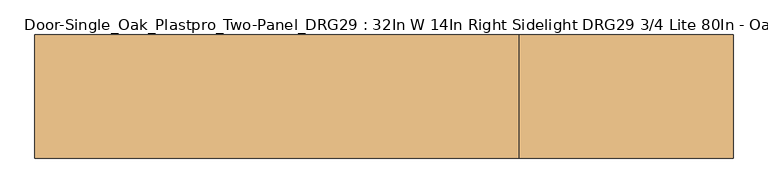
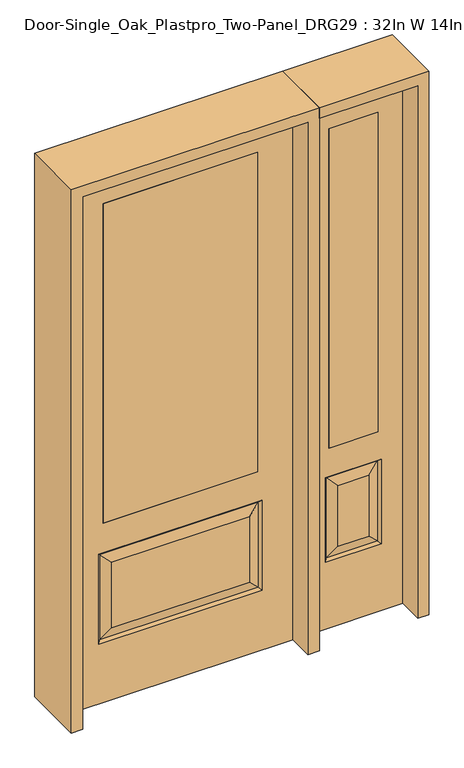
"""IFC4 building model written with IfcOpenShell, lengths in millimetres: door geometry, Door-Single_Oak_Plastpro_Two-Panel_DRG29 : 32In W 14In Right Sidelight DRG29 3/4 Lite 80In - Oak."""

import ifcopenshell
import ifcopenshell.guid

model = None  # the IFC model being written
_history = None  # IfcOwnerHistory: only IFC2X3 demands one
_inside = {}  # id of a spatial element -> (the spatial element, [elements in it])
_under = {}  # id of a project, library or spatial element -> (it, [spatial elements below it])
_declared = {}  # id of a project -> (the project, [libraries it declares])
_typed = {}  # id of a type object -> (the type object, [elements of that type])
_made_of = {}  # id of a material, layer set ... -> (it, [elements and type objects made of it])


def new_model(schema):
    """Start an empty IFC model of exactly this schema.

    Asked for "IFC4X3", IfcOpenShell would pick the latest addendum, in which some entities
    have other attributes; the version numbers below select the first issue.
    IFC2X3 requires an IfcOwnerHistory on every rooted entity: one is made here for all.
    """
    global model, _history
    if schema == "IFC4X3":
        model = ifcopenshell.file(schema_version=(4, 3, 0, 0))
    else:
        model = ifcopenshell.file(schema=schema)
    _inside.clear()
    _under.clear()
    _declared.clear()
    _typed.clear()
    _made_of.clear()
    _history = None
    if model.schema == "IFC2X3":
        org = make("IfcOrganization", Name="unknown")
        user = make(
            "IfcPersonAndOrganization",
            ThePerson=make("IfcPerson", FamilyName="unknown"),
            TheOrganization=org,
        )
        app = make(
            "IfcApplication",
            ApplicationDeveloper=org,
            Version="unknown",
            ApplicationFullName="unknown",
            ApplicationIdentifier="unknown",
        )
        _history = make(
            "IfcOwnerHistory",
            OwningUser=user,
            OwningApplication=app,
            ChangeAction="ADDED",
            CreationDate=0,
        )
    return model


def make(cls, **values):
    """One entity of the class cls with the attributes given. An attribute that is None is left unset."""
    return model.create_entity(
        cls, **{name: value for name, value in values.items() if value is not None}
    )


def rooted(cls, **values):
    """An entity with a GlobalId (a new one), such as an element, a storey or a relation."""
    return make(cls, GlobalId=ifcopenshell.guid.new(), OwnerHistory=_history, **values)


def si_unit(unit_type, name, prefix=None):
    """IfcSIUnit, for example si_unit("LENGTHUNIT", "METRE", prefix="MILLI")."""
    return make("IfcSIUnit", UnitType=unit_type, Prefix=prefix, Name=name)


def assignment(units):
    """IfcUnitAssignment: the units of a project."""
    return None if units is None else make("IfcUnitAssignment", Units=units)


def point(xyz):
    """IfcCartesianPoint."""
    return None if xyz is None else make("IfcCartesianPoint", Coordinates=xyz)


def direction(xyz):
    """IfcDirection."""
    return None if xyz is None else make("IfcDirection", DirectionRatios=xyz)


def frame(location, z_axis=None, x_axis=None):
    """IfcAxis2Placement3D, a coordinate frame: its origin and axes. An axis left out is left unset."""
    return make(
        "IfcAxis2Placement3D",
        Location=point(location),
        Axis=direction(z_axis),
        RefDirection=direction(x_axis),
    )


def origin():
    """The frame at (0, 0, 0) with its axes left unset."""
    return frame((0.0, 0.0, 0.0))


def place(relative_to, where):
    """IfcLocalPlacement: puts the frame where relative to a parent placement (None: the world)."""
    return make(
        "IfcLocalPlacement", PlacementRelTo=relative_to, RelativePlacement=where
    )


def context(
    kind, dimensions, precision=None, world=None, true_north=None, identifier=None
):
    """IfcGeometricRepresentationContext, for example the 3D "Model" context."""
    return make(
        "IfcGeometricRepresentationContext",
        ContextIdentifier=identifier,
        ContextType=kind,
        CoordinateSpaceDimension=dimensions,
        Precision=precision,
        WorldCoordinateSystem=world,
        TrueNorth=true_north,
    )


def project(units=None, contexts=None):
    """IfcProject with its units and contexts."""
    return rooted(
        "IfcProject",
        Name="project",
        RepresentationContexts=contexts,
        UnitsInContext=assignment(units),
    )


def spatial(cls, under=None, at=None, **own):
    """A site, building, storey or space (cls), placed at a placement, below another one or the project."""
    s = rooted(cls, ObjectPlacement=at, **own)
    if under is not None:
        _under.setdefault(under.id(), (under, []))[1].append(s)
    return s


def polyline(points):
    """IfcPolyline through the points."""
    return make("IfcPolyline", Points=[point(p) for p in points])


def outline(outer, holes=None, kind="AREA"):
    """IfcArbitraryClosedProfileDef: a profile drawn as a closed curve; with holes, ...WithVoids."""
    if holes is None:
        return make("IfcArbitraryClosedProfileDef", ProfileType=kind, OuterCurve=outer)
    return make(
        "IfcArbitraryProfileDefWithVoids",
        ProfileType=kind,
        OuterCurve=outer,
        InnerCurves=holes,
    )


def extrude(swept, where, along, depth):
    """IfcExtrudedAreaSolid: the profile swept, set in the frame where, extruded along a direction by depth."""
    return make(
        "IfcExtrudedAreaSolid",
        SweptArea=swept,
        Position=where,
        ExtrudedDirection=direction(along),
        Depth=depth,
    )


def faces_of(points, faces, orient=None, outer=None):
    """IfcFace entities. A face is a list of loops; a loop is a list of indices into points, from 0.

    orient and outer hold one flag for each loop. By default every Orientation is true, the
    first loop of a face is its IfcFaceOuterBound and the others are IfcFaceBound.
    """
    made = []
    for i, loops in enumerate(faces):
        bounds = []
        for j, loop in enumerate(loops):
            is_outer = j == 0 if outer is None else outer[i][j]
            bounds.append(
                make(
                    "IfcFaceOuterBound" if is_outer else "IfcFaceBound",
                    Bound=make("IfcPolyLoop", Polygon=[points[k] for k in loop]),
                    Orientation=True if orient is None else orient[i][j],
                )
            )
        made.append(make("IfcFace", Bounds=bounds))
    return made


def faceted_brep(points, faces, orient=None, outer=None, voids=None):
    """IfcFacetedBrep: a solid bounded by flat faces; with voids (closed shells), ...WithVoids."""
    shared = [point(p) for p in points]
    hull = make("IfcClosedShell", CfsFaces=faces_of(shared, faces, orient, outer))
    if voids is None:
        return make("IfcFacetedBrep", Outer=hull)
    return make(
        "IfcFacetedBrepWithVoids",
        Outer=hull,
        Voids=[
            make(cls, CfsFaces=faces_of(shared, fs, o, b)) for cls, fs, o, b in voids
        ],
    )


def shape(context_of_items, identifier, shape_type, items):
    """IfcShapeRepresentation: the items that make up one representation, for example the "Body"."""
    return make(
        "IfcShapeRepresentation",
        ContextOfItems=context_of_items,
        RepresentationIdentifier=identifier,
        RepresentationType=shape_type,
        Items=items,
    )


def source(mapping_origin, context_of_items, identifier, shape_type, items):
    """IfcRepresentationMap: a shape defined once, which mapped items show again and again."""
    return make(
        "IfcRepresentationMap",
        MappingOrigin=mapping_origin,
        MappedRepresentation=shape(context_of_items, identifier, shape_type, items),
    )


def transform(
    local_origin,
    x_axis=None,
    y_axis=None,
    z_axis=None,
    scale=None,
    scale2=None,
    scale3=None,
    uniform=True,
):
    """IfcCartesianTransformationOperator3D, or its non-uniform kind. x_axis, y_axis, z_axis: its Axis1, 2, 3."""
    if uniform:
        return make(
            "IfcCartesianTransformationOperator3D",
            Axis1=direction(x_axis),
            Axis2=direction(y_axis),
            LocalOrigin=point(local_origin),
            Scale=scale,
            Axis3=direction(z_axis),
        )
    return make(
        "IfcCartesianTransformationOperator3DnonUniform",
        Axis1=direction(x_axis),
        Axis2=direction(y_axis),
        LocalOrigin=point(local_origin),
        Scale=scale,
        Axis3=direction(z_axis),
        Scale2=scale2,
        Scale3=scale3,
    )


def mapped(mapping_source, mapping_target):
    """IfcMappedItem: shows the shape of a source again, moved by a transform."""
    return make(
        "IfcMappedItem", MappingSource=mapping_source, MappingTarget=mapping_target
    )


def made_of(thing, what):
    """Note that an element or type object is made of a material, layer set ...; save() writes the relation."""
    if what is not None:
        _made_of.setdefault(what.id(), (what, []))[1].append(thing)
    return thing


def element(
    cls,
    number,
    at=None,
    inside=None,
    cuts=None,
    type_object=None,
    material=None,
    context=None,
    identifier="Body",
    shape_type=None,
    held_by="IfcProductDefinitionShape",
    body=None,
    shapes=None,
    **own,
):
    """One element of the class cls, such as IfcWall. Its Tag is "e" and its number.

    at: its placement. inside: the storey or other place that contains it. cuts: it is an
    opening in that element (IfcRelVoidsElement). A single representation is given by context,
    identifier, shape_type and body (its items); several are given by shapes. held_by: the class
    of the entity that holds the representations. save() writes the other relations.
    """
    e = rooted(cls, Tag="e%d" % number, ObjectPlacement=at, **own)
    if body is not None:
        shapes = [shape(context, identifier, shape_type, body)]
    if shapes is not None:
        e.Representation = make(held_by, Representations=shapes)
    if inside is not None:
        _inside.setdefault(inside.id(), (inside, []))[1].append(e)
    if cuts is not None:
        rooted(
            "IfcRelVoidsElement", RelatingBuildingElement=cuts, RelatedOpeningElement=e
        )
    if type_object is not None:
        _typed.setdefault(type_object.id(), (type_object, []))[1].append(e)
    return made_of(e, material)


def aggregate(whole, parts):
    """IfcRelAggregates: a whole, such as a stair, and the parts it consists of."""
    return rooted("IfcRelAggregates", RelatingObject=whole, RelatedObjects=parts)


def save(model, path):
    """Write the relations noted so far, then the file.

    IfcRelAggregates (storeys below a building ...), IfcRelContainedInSpatialStructure (elements
    in a storey), IfcRelDefinesByType, IfcRelAssociatesMaterial and IfcRelDeclares: one each for
    every whole, place, type object, material and project.
    """
    for whole, parts in _under.values():
        aggregate(whole, parts)
    for where, things in _inside.values():
        rooted(
            "IfcRelContainedInSpatialStructure",
            RelatedElements=things,
            RelatingStructure=where,
        )
    for kind, things in _typed.values():
        rooted("IfcRelDefinesByType", RelatedObjects=things, RelatingType=kind)
    for what, things in _made_of.values():
        rooted("IfcRelAssociatesMaterial", RelatedObjects=things, RelatingMaterial=what)
    for by, libraries in _declared.values():
        rooted("IfcRelDeclares", RelatingContext=by, RelatedDefinitions=libraries)
    model.write(path)


def door_single_oak_plastpro_two_panel_drg29_32in_w_14in_right_6724afed(model_context):
    return source(origin(), model_context, "Body", "SolidModel", [
        extrude(outline(polyline([(-279.4, -20.6375), (-279.4, 20.6375), (279.4, 20.6375), (279.4, -20.6375), (-279.4, -20.6375)])), frame((0.0, 0.0, 685.8), z_axis=(0.0, 0.0, 1.0), x_axis=(1.0, 0.0, 0.0)), (0.0, 0.0, 1.0), 1219.2),
        faceted_brep([(-249.1224548, -20.6375, 274.7525452), (249.1224548, -20.6375, 274.7525452), (249.1224548, -20.6375, 525.3474548), (-249.1224548, -20.6375, 525.3474548), (406.4, -20.6375, 2032.0), (-406.4, -20.6375, 2032.0), (-406.4, -20.6375, 0.0), (406.4, -20.6375, 0.0), (295.1599548, -20.6375, 228.7150452), (-295.1599548, -20.6375, 228.7150452), (-295.1599548, -20.6375, 571.3849548), (295.1599548, -20.6375, 571.3849548), (-279.4, -20.6375, 1905.0), (279.4, -20.6375, 1905.0), (279.4, -20.6375, 685.8), (-279.4, -20.6375, 685.8), (-279.4, 20.6375, 1905.0), (-279.4, 20.6375, 685.8), (279.4, 20.6375, 685.8), (249.1224548, 20.6375, 274.7525452), (-249.1224548, 20.6375, 274.7525452), (-249.1224548, 20.6375, 525.3474548), (249.1224548, 20.6375, 525.3474548), (-406.4, 20.6375, 2032.0), (406.4, 20.6375, 2032.0), (406.4, 20.6375, 0.0), (-406.4, 20.6375, 0.0), (-295.1599548, 20.6375, 228.7150452), (295.1599548, 20.6375, 228.7150452), (295.1599548, 20.6375, 571.3849548), (-295.1599548, 20.6375, 571.3849548), (279.4, 20.6375, 1905.0), (286.1796986, -11.6572439, 237.6953014), (-286.1796986, -11.6572439, 237.6953014), (-286.1796986, -11.6572439, 562.4046986), (286.1796986, -11.6572439, 562.4046986), (286.1796986, 11.6572439, 237.6953014), (-286.1796986, 11.6572439, 237.6953014), (-286.1796986, 11.6572439, 562.4046986), (286.1796986, 11.6572439, 562.4046986)], [[[0, 1, 2, 3]], [[4, 5, 6, 7], [8, 9, 10, 11], [12, 13, 14, 15]], [[16, 12, 15, 17]], [[17, 15, 14, 18]], [[19, 20, 21, 22]], [[23, 24, 25, 26], [27, 28, 29, 30], [31, 16, 17, 18]], [[13, 31, 18, 14]], [[6, 26, 25, 7]], [[5, 23, 26, 6]], [[24, 4, 7, 25]], [[32, 33, 9, 8]], [[9, 33, 34, 10]], [[10, 34, 35, 11]], [[32, 8, 11, 35]], [[33, 32, 1, 0]], [[1, 32, 35, 2]], [[34, 3, 2, 35]], [[33, 0, 3, 34]], [[36, 37, 20, 19]], [[20, 37, 38, 21]], [[21, 38, 39, 22]], [[36, 19, 22, 39]], [[37, 36, 28, 27]], [[28, 36, 39, 29]], [[38, 30, 29, 39]], [[37, 27, 30, 38]], [[12, 16, 31, 13]], [[5, 4, 24, 23]]]),
        extrude(outline(polyline([(714.375, -20.6375), (536.575, -20.6375), (536.575, 20.6375), (714.375, 20.6375), (714.375, -20.6375)])), frame((0.0, 0.0, 685.8), z_axis=(0.0, 0.0, 1.0), x_axis=(1.0, 0.0, 0.0)), (0.0, 0.0, 1.0), 1219.2),
        faceted_brep([(714.375, -20.6375, 1905.0), (536.575, -20.6375, 1905.0), (536.575, 20.6375, 1905.0), (714.375, 20.6375, 1905.0), (680.9224548, -20.6375, 531.6974548), (570.0275452, -20.6375, 531.6974548), (570.0275452, -20.6375, 300.1525452), (680.9224548, -20.6375, 300.1525452), (447.675, -20.6375, 2032.0), (447.675, -20.6375, 0.0), (803.275, -20.6375, 0.0), (803.275, -20.6375, 2032.0), (714.375, -20.6375, 685.8), (536.575, -20.6375, 685.8), (726.9599548, -20.6375, 254.1150452), (523.9900452, -20.6375, 254.1150452), (523.9900452, -20.6375, 577.7349548), (726.9599548, -20.6375, 577.7349548), (717.9796986, 11.6572439, 568.7546986), (726.9599548, 20.6375, 577.7349548), (726.9599548, 20.6375, 254.1150452), (717.9796986, 11.6572439, 263.0953014), (532.9703014, 11.6572439, 568.7546986), (523.9900452, 20.6375, 577.7349548), (680.9224548, 20.6375, 300.1525452), (680.9224548, 20.6375, 531.6974548), (714.375, 20.6375, 685.8), (536.575, 20.6375, 685.8), (532.9703014, -11.6572439, 263.0953014), (717.9796986, -11.6572439, 263.0953014), (532.9703014, -11.6572439, 568.7546986), (717.9796986, -11.6572439, 568.7546986), (447.675, 20.6375, 2032.0), (803.275, 20.6375, 2032.0), (447.675, 20.6375, 0.0), (803.275, 20.6375, 0.0), (523.9900452, 20.6375, 254.1150452), (570.0275452, 20.6375, 300.1525452), (570.0275452, 20.6375, 531.6974548), (532.9703014, 11.6572439, 263.0953014)], [[[0, 1, 2, 3]], [[4, 5, 6, 7]], [[8, 9, 10, 11], [0, 12, 13, 1], [14, 15, 16, 17]], [[18, 19, 20, 21]], [[18, 22, 23, 19]], [[21, 24, 25, 18]], [[26, 27, 13, 12]], [[7, 6, 28, 29]], [[6, 5, 30, 28]], [[29, 14, 17, 31]], [[32, 8, 11, 33]], [[34, 35, 10, 9]], [[32, 34, 9, 8]], [[11, 10, 35, 33]], [[33, 35, 34, 32], [19, 23, 36, 20], [2, 27, 26, 3]], [[24, 37, 38, 25]], [[20, 36, 39, 21]], [[36, 23, 22, 39]], [[25, 38, 22, 18]], [[39, 22, 38, 37]], [[21, 39, 37, 24]], [[3, 26, 12, 0]], [[1, 13, 27, 2]], [[31, 4, 7, 29]], [[31, 30, 5, 4]], [[17, 16, 30, 31]], [[28, 30, 16, 15]], [[29, 28, 15, 14]]]),
        extrude(outline(polyline([(2073.275, -447.675), (0.0, -447.675), (0.0, -406.4), (2032.0, -406.4), (2032.0, 406.4), (0.0, 406.4), (0.0, 447.675), (2073.275, 447.675), (2073.275, -447.675)])), frame((0.0, -114.3, 0.0), z_axis=(0.0, 1.0, 0.0), x_axis=(0.0, 0.0, 1.0)), (0.0, 0.0, 1.0), 228.6),
        extrude(outline(polyline([(0.0, 803.275), (0.0, 844.55), (2073.275, 844.55), (2073.275, 447.675), (2032.0, 447.675), (2032.0, 803.275), (0.0, 803.275)])), frame((0.0, -114.3, 0.0), z_axis=(0.0, 1.0, 0.0), x_axis=(0.0, 0.0, 1.0)), (0.0, 0.0, 1.0), 228.6),
    ])


if __name__ == "__main__":
    model = new_model("IFC4")
    model_context = context("Model", 3, world=origin())
    ifc_project = project(units=[si_unit("LENGTHUNIT", "METRE", prefix="MILLI")], contexts=[model_context])
    site = spatial("IfcSite", under=ifc_project)
    building = spatial("IfcBuilding", under=site)
    placement = place(None, origin())
    door_single_oak_plastpro_two_panel_drg29_32in_w_14in_right_shape = door_single_oak_plastpro_two_panel_drg29_32in_w_14in_right_6724afed(model_context)
    element("IfcDoor", 1, ObjectType="Door-Single_Oak_Plastpro_Two-Panel_DRG29 : 32In W 14In Right Sidelight DRG29 3/4 Lite 80In - Oak", at=placement, inside=building, context=model_context, shape_type="MappedRepresentation", body=[
        mapped(door_single_oak_plastpro_two_panel_drg29_32in_w_14in_right_shape, transform((0.0, 0.0, 0.0), x_axis=(1.0, 0.0, 0.0), y_axis=(0.0, 1.0, 0.0), z_axis=(0.0, 0.0, 1.0))),
    ])
    save(model, "model.ifc")
